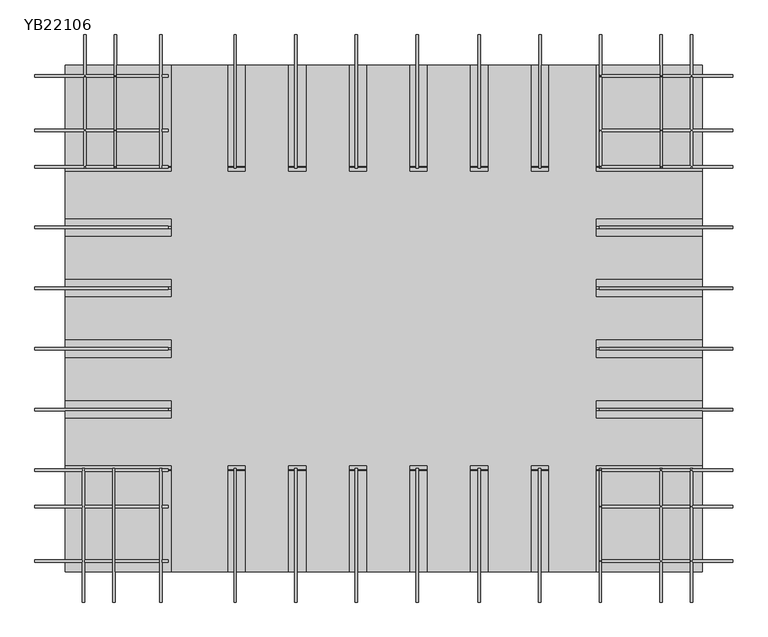
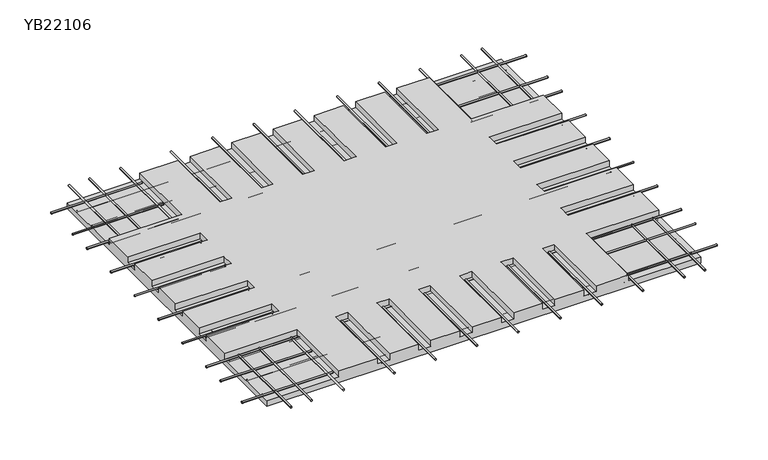
"""IFC4 building model written with IfcOpenShell, lengths in millimetres: proxy geometry, YB22106."""

import ifcopenshell
import ifcopenshell.guid

model = None  # the IFC model being written
_history = None  # IfcOwnerHistory: only IFC2X3 demands one
_inside = {}  # id of a spatial element -> (the spatial element, [elements in it])
_under = {}  # id of a project, library or spatial element -> (it, [spatial elements below it])
_declared = {}  # id of a project -> (the project, [libraries it declares])
_typed = {}  # id of a type object -> (the type object, [elements of that type])
_made_of = {}  # id of a material, layer set ... -> (it, [elements and type objects made of it])


def new_model(schema):
    """Start an empty IFC model of exactly this schema.

    Asked for "IFC4X3", IfcOpenShell would pick the latest addendum, in which some entities
    have other attributes; the version numbers below select the first issue.
    IFC2X3 requires an IfcOwnerHistory on every rooted entity: one is made here for all.
    """
    global model, _history
    if schema == "IFC4X3":
        model = ifcopenshell.file(schema_version=(4, 3, 0, 0))
    else:
        model = ifcopenshell.file(schema=schema)
    _inside.clear()
    _under.clear()
    _declared.clear()
    _typed.clear()
    _made_of.clear()
    _history = None
    if model.schema == "IFC2X3":
        org = make("IfcOrganization", Name="unknown")
        user = make(
            "IfcPersonAndOrganization",
            ThePerson=make("IfcPerson", FamilyName="unknown"),
            TheOrganization=org,
        )
        app = make(
            "IfcApplication",
            ApplicationDeveloper=org,
            Version="unknown",
            ApplicationFullName="unknown",
            ApplicationIdentifier="unknown",
        )
        _history = make(
            "IfcOwnerHistory",
            OwningUser=user,
            OwningApplication=app,
            ChangeAction="ADDED",
            CreationDate=0,
        )
    return model


def make(cls, **values):
    """One entity of the class cls with the attributes given. An attribute that is None is left unset."""
    return model.create_entity(
        cls, **{name: value for name, value in values.items() if value is not None}
    )


def rooted(cls, **values):
    """An entity with a GlobalId (a new one), such as an element, a storey or a relation."""
    return make(cls, GlobalId=ifcopenshell.guid.new(), OwnerHistory=_history, **values)


def si_unit(unit_type, name, prefix=None):
    """IfcSIUnit, for example si_unit("LENGTHUNIT", "METRE", prefix="MILLI")."""
    return make("IfcSIUnit", UnitType=unit_type, Prefix=prefix, Name=name)


def assignment(units):
    """IfcUnitAssignment: the units of a project."""
    return None if units is None else make("IfcUnitAssignment", Units=units)


def point(xyz):
    """IfcCartesianPoint."""
    return None if xyz is None else make("IfcCartesianPoint", Coordinates=xyz)


def direction(xyz):
    """IfcDirection."""
    return None if xyz is None else make("IfcDirection", DirectionRatios=xyz)


def frame(location, z_axis=None, x_axis=None):
    """IfcAxis2Placement3D, a coordinate frame: its origin and axes. An axis left out is left unset."""
    return make(
        "IfcAxis2Placement3D",
        Location=point(location),
        Axis=direction(z_axis),
        RefDirection=direction(x_axis),
    )


def frame_2d(location, x_axis=None):
    """IfcAxis2Placement2D, a coordinate frame in the plane: its origin and x axis."""
    return make(
        "IfcAxis2Placement2D", Location=point(location), RefDirection=direction(x_axis)
    )


def origin():
    """The frame at (0, 0, 0) with its axes left unset."""
    return frame((0.0, 0.0, 0.0))


def place(relative_to, where):
    """IfcLocalPlacement: puts the frame where relative to a parent placement (None: the world)."""
    return make(
        "IfcLocalPlacement", PlacementRelTo=relative_to, RelativePlacement=where
    )


def context(
    kind, dimensions, precision=None, world=None, true_north=None, identifier=None
):
    """IfcGeometricRepresentationContext, for example the 3D "Model" context."""
    return make(
        "IfcGeometricRepresentationContext",
        ContextIdentifier=identifier,
        ContextType=kind,
        CoordinateSpaceDimension=dimensions,
        Precision=precision,
        WorldCoordinateSystem=world,
        TrueNorth=true_north,
    )


def project(units=None, contexts=None):
    """IfcProject with its units and contexts."""
    return rooted(
        "IfcProject",
        Name="project",
        RepresentationContexts=contexts,
        UnitsInContext=assignment(units),
    )


def spatial(cls, under=None, at=None, **own):
    """A site, building, storey or space (cls), placed at a placement, below another one or the project."""
    s = rooted(cls, ObjectPlacement=at, **own)
    if under is not None:
        _under.setdefault(under.id(), (under, []))[1].append(s)
    return s


def circle_curve(where, radius):
    """IfcCircle in the frame where."""
    return make("IfcCircle", Position=where, Radius=radius)


def trimmed(basis, trim1, trim2, sense, master):
    """IfcTrimmedCurve: the piece of a basis curve between two trims."""
    return make(
        "IfcTrimmedCurve",
        BasisCurve=basis,
        Trim1=trim1,
        Trim2=trim2,
        SenseAgreement=sense,
        MasterRepresentation=master,
    )


def segment(curve, same_sense, transition):
    """IfcCompositeCurveSegment."""
    return make(
        "IfcCompositeCurveSegment",
        Transition=transition,
        SameSense=same_sense,
        ParentCurve=curve,
    )


def composite_curve(segments, self_intersect=None):
    """IfcCompositeCurve: segments joined end to end."""
    return make("IfcCompositeCurve", Segments=segments, SelfIntersect=self_intersect)


def outline(outer, holes=None, kind="AREA"):
    """IfcArbitraryClosedProfileDef: a profile drawn as a closed curve; with holes, ...WithVoids."""
    if holes is None:
        return make("IfcArbitraryClosedProfileDef", ProfileType=kind, OuterCurve=outer)
    return make(
        "IfcArbitraryProfileDefWithVoids",
        ProfileType=kind,
        OuterCurve=outer,
        InnerCurves=holes,
    )


def extrude(swept, where, along, depth):
    """IfcExtrudedAreaSolid: the profile swept, set in the frame where, extruded along a direction by depth."""
    return make(
        "IfcExtrudedAreaSolid",
        SweptArea=swept,
        Position=where,
        ExtrudedDirection=direction(along),
        Depth=depth,
    )


def faces_of(points, faces, orient=None, outer=None):
    """IfcFace entities. A face is a list of loops; a loop is a list of indices into points, from 0.

    orient and outer hold one flag for each loop. By default every Orientation is true, the
    first loop of a face is its IfcFaceOuterBound and the others are IfcFaceBound.
    """
    made = []
    for i, loops in enumerate(faces):
        bounds = []
        for j, loop in enumerate(loops):
            is_outer = j == 0 if outer is None else outer[i][j]
            bounds.append(
                make(
                    "IfcFaceOuterBound" if is_outer else "IfcFaceBound",
                    Bound=make("IfcPolyLoop", Polygon=[points[k] for k in loop]),
                    Orientation=True if orient is None else orient[i][j],
                )
            )
        made.append(make("IfcFace", Bounds=bounds))
    return made


def faceted_brep(points, faces, orient=None, outer=None, voids=None):
    """IfcFacetedBrep: a solid bounded by flat faces; with voids (closed shells), ...WithVoids."""
    shared = [point(p) for p in points]
    hull = make("IfcClosedShell", CfsFaces=faces_of(shared, faces, orient, outer))
    if voids is None:
        return make("IfcFacetedBrep", Outer=hull)
    return make(
        "IfcFacetedBrepWithVoids",
        Outer=hull,
        Voids=[
            make(cls, CfsFaces=faces_of(shared, fs, o, b)) for cls, fs, o, b in voids
        ],
    )


def shape(context_of_items, identifier, shape_type, items):
    """IfcShapeRepresentation: the items that make up one representation, for example the "Body"."""
    return make(
        "IfcShapeRepresentation",
        ContextOfItems=context_of_items,
        RepresentationIdentifier=identifier,
        RepresentationType=shape_type,
        Items=items,
    )


def source(mapping_origin, context_of_items, identifier, shape_type, items):
    """IfcRepresentationMap: a shape defined once, which mapped items show again and again."""
    return make(
        "IfcRepresentationMap",
        MappingOrigin=mapping_origin,
        MappedRepresentation=shape(context_of_items, identifier, shape_type, items),
    )


def transform(
    local_origin,
    x_axis=None,
    y_axis=None,
    z_axis=None,
    scale=None,
    scale2=None,
    scale3=None,
    uniform=True,
):
    """IfcCartesianTransformationOperator3D, or its non-uniform kind. x_axis, y_axis, z_axis: its Axis1, 2, 3."""
    if uniform:
        return make(
            "IfcCartesianTransformationOperator3D",
            Axis1=direction(x_axis),
            Axis2=direction(y_axis),
            LocalOrigin=point(local_origin),
            Scale=scale,
            Axis3=direction(z_axis),
        )
    return make(
        "IfcCartesianTransformationOperator3DnonUniform",
        Axis1=direction(x_axis),
        Axis2=direction(y_axis),
        LocalOrigin=point(local_origin),
        Scale=scale,
        Axis3=direction(z_axis),
        Scale2=scale2,
        Scale3=scale3,
    )


def mapped(mapping_source, mapping_target):
    """IfcMappedItem: shows the shape of a source again, moved by a transform."""
    return make(
        "IfcMappedItem", MappingSource=mapping_source, MappingTarget=mapping_target
    )


def made_of(thing, what):
    """Note that an element or type object is made of a material, layer set ...; save() writes the relation."""
    if what is not None:
        _made_of.setdefault(what.id(), (what, []))[1].append(thing)
    return thing


def element(
    cls,
    number,
    at=None,
    inside=None,
    cuts=None,
    type_object=None,
    material=None,
    context=None,
    identifier="Body",
    shape_type=None,
    held_by="IfcProductDefinitionShape",
    body=None,
    shapes=None,
    **own,
):
    """One element of the class cls, such as IfcWall. Its Tag is "e" and its number.

    at: its placement. inside: the storey or other place that contains it. cuts: it is an
    opening in that element (IfcRelVoidsElement). A single representation is given by context,
    identifier, shape_type and body (its items); several are given by shapes. held_by: the class
    of the entity that holds the representations. save() writes the other relations.
    """
    e = rooted(cls, Tag="e%d" % number, ObjectPlacement=at, **own)
    if body is not None:
        shapes = [shape(context, identifier, shape_type, body)]
    if shapes is not None:
        e.Representation = make(held_by, Representations=shapes)
    if inside is not None:
        _inside.setdefault(inside.id(), (inside, []))[1].append(e)
    if cuts is not None:
        rooted(
            "IfcRelVoidsElement", RelatingBuildingElement=cuts, RelatedOpeningElement=e
        )
    if type_object is not None:
        _typed.setdefault(type_object.id(), (type_object, []))[1].append(e)
    return made_of(e, material)


def aggregate(whole, parts):
    """IfcRelAggregates: a whole, such as a stair, and the parts it consists of."""
    return rooted("IfcRelAggregates", RelatingObject=whole, RelatedObjects=parts)


def save(model, path):
    """Write the relations noted so far, then the file.

    IfcRelAggregates (storeys below a building ...), IfcRelContainedInSpatialStructure (elements
    in a storey), IfcRelDefinesByType, IfcRelAssociatesMaterial and IfcRelDeclares: one each for
    every whole, place, type object, material and project.
    """
    for whole, parts in _under.values():
        aggregate(whole, parts)
    for where, things in _inside.values():
        rooted(
            "IfcRelContainedInSpatialStructure",
            RelatedElements=things,
            RelatingStructure=where,
        )
    for kind, things in _typed.values():
        rooted("IfcRelDefinesByType", RelatedObjects=things, RelatingType=kind)
    for what, things in _made_of.values():
        rooted("IfcRelAssociatesMaterial", RelatedObjects=things, RelatingMaterial=what)
    for by, libraries in _declared.values():
        rooted("IfcRelDeclares", RelatingContext=by, RelatedDefinitions=libraries)
    model.write(path)


def yb22106_598489d8(model_context):
    return source(origin(), model_context, "Body", "SolidModel", [
        extrude(outline(composite_curve([segment(trimmed(circle_curve(frame_2d((35.5586114, 1079.8610498)), 4.0), [point((35.5586114, 1075.8610498))], [point((35.5586114, 1083.8610498))], False, "CARTESIAN"), True, "CONTINUOUS"), segment(trimmed(circle_curve(frame_2d((35.5586114, 1079.8610498)), 4.0), [point((35.5586114, 1083.8610498))], [point((35.5586114, 1075.8610498))], False, "CARTESIAN"), True, "CONTINUOUS")], self_intersect=False)), frame((0.0, 375.0, 0.0), z_axis=(0.0, 1.0, 0.0), x_axis=(0.0, 0.0, 1.0)), (0.0, 0.0, 1.0), 440.0),
        extrude(outline(composite_curve([segment(trimmed(circle_curve(frame_2d((35.5586114, 1179.8610498)), 4.0), [point((35.5586114, 1175.8610498))], [point((35.5586114, 1183.8610498))], False, "CARTESIAN"), True, "CONTINUOUS"), segment(trimmed(circle_curve(frame_2d((35.5586114, 1179.8610498)), 4.0), [point((35.5586114, 1183.8610498))], [point((35.5586114, 1175.8610498))], False, "CARTESIAN"), True, "CONTINUOUS")], self_intersect=False)), frame((0.0, 375.0, 0.0), z_axis=(0.0, 1.0, 0.0), x_axis=(0.0, 0.0, 1.0)), (0.0, 0.0, 1.0), 440.0),
        extrude(outline(composite_curve([segment(trimmed(circle_curve(frame_2d((35.5586114, 2179.8610498)), 4.0), [point((35.5586114, 2175.8610498))], [point((35.5586114, 2183.8610498))], False, "CARTESIAN"), True, "CONTINUOUS"), segment(trimmed(circle_curve(frame_2d((35.5586114, 2179.8610498)), 4.0), [point((35.5586114, 2183.8610498))], [point((35.5586114, 2175.8610498))], False, "CARTESIAN"), True, "CONTINUOUS")], self_intersect=False)), frame((0.0, 375.0, 0.0), z_axis=(0.0, 1.0, 0.0), x_axis=(0.0, 0.0, 1.0)), (0.0, 0.0, 1.0), 440.0),
        extrude(outline(composite_curve([segment(trimmed(circle_curve(frame_2d((35.5586114, 1979.8610498)), 4.0), [point((35.5586114, 1975.8610498))], [point((35.5586114, 1983.8610498))], False, "CARTESIAN"), True, "CONTINUOUS"), segment(trimmed(circle_curve(frame_2d((35.5586114, 1979.8610498)), 4.0), [point((35.5586114, 1983.8610498))], [point((35.5586114, 1975.8610498))], False, "CARTESIAN"), True, "CONTINUOUS")], self_intersect=False)), frame((0.0, 375.0, 0.0), z_axis=(0.0, 1.0, 0.0), x_axis=(0.0, 0.0, 1.0)), (0.0, 0.0, 1.0), 440.0),
        extrude(outline(composite_curve([segment(trimmed(circle_curve(frame_2d((35.5586114, 2179.8610498)), 4.0), [point((35.5586114, 2175.8610498))], [point((35.5586114, 2183.8610498))], False, "CARTESIAN"), True, "CONTINUOUS"), segment(trimmed(circle_curve(frame_2d((35.5586114, 2179.8610498)), 4.0), [point((35.5586114, 2183.8610498))], [point((35.5586114, 2175.8610498))], False, "CARTESIAN"), True, "CONTINUOUS")], self_intersect=False)), frame((0.0, 1805.0, 0.0), z_axis=(0.0, 1.0, 0.0), x_axis=(0.0, 0.0, 1.0)), (0.0, 0.0, 1.0), 440.0),
        extrude(outline(composite_curve([segment(trimmed(circle_curve(frame_2d((35.5586114, 1979.8610498)), 4.0), [point((35.5586114, 1975.8610498))], [point((35.5586114, 1983.8610498))], False, "CARTESIAN"), True, "CONTINUOUS"), segment(trimmed(circle_curve(frame_2d((35.5586114, 1979.8610498)), 4.0), [point((35.5586114, 1983.8610498))], [point((35.5586114, 1975.8610498))], False, "CARTESIAN"), True, "CONTINUOUS")], self_intersect=False)), frame((0.0, 1805.0, 0.0), z_axis=(0.0, 1.0, 0.0), x_axis=(0.0, 0.0, 1.0)), (0.0, 0.0, 1.0), 440.0),
        extrude(outline(composite_curve([segment(trimmed(circle_curve(frame_2d((35.5586114, 1779.8610498)), 4.0), [point((35.5586114, 1775.8610498))], [point((35.5586114, 1783.8610498))], False, "CARTESIAN"), True, "CONTINUOUS"), segment(trimmed(circle_curve(frame_2d((35.5586114, 1779.8610498)), 4.0), [point((35.5586114, 1783.8610498))], [point((35.5586114, 1775.8610498))], False, "CARTESIAN"), True, "CONTINUOUS")], self_intersect=False)), frame((0.0, 375.0, 0.0), z_axis=(0.0, 1.0, 0.0), x_axis=(0.0, 0.0, 1.0)), (0.0, 0.0, 1.0), 440.0),
        extrude(outline(composite_curve([segment(trimmed(circle_curve(frame_2d((35.5586114, 1579.8610498)), 4.0), [point((35.5586114, 1575.8610498))], [point((35.5586114, 1583.8610498))], False, "CARTESIAN"), True, "CONTINUOUS"), segment(trimmed(circle_curve(frame_2d((35.5586114, 1579.8610498)), 4.0), [point((35.5586114, 1583.8610498))], [point((35.5586114, 1575.8610498))], False, "CARTESIAN"), True, "CONTINUOUS")], self_intersect=False)), frame((0.0, 375.0, 0.0), z_axis=(0.0, 1.0, 0.0), x_axis=(0.0, 0.0, 1.0)), (0.0, 0.0, 1.0), 440.0),
        extrude(outline(composite_curve([segment(trimmed(circle_curve(frame_2d((35.5586114, 1779.8610498)), 4.0), [point((35.5586114, 1775.8610498))], [point((35.5586114, 1783.8610498))], False, "CARTESIAN"), True, "CONTINUOUS"), segment(trimmed(circle_curve(frame_2d((35.5586114, 1779.8610498)), 4.0), [point((35.5586114, 1783.8610498))], [point((35.5586114, 1775.8610498))], False, "CARTESIAN"), True, "CONTINUOUS")], self_intersect=False)), frame((0.0, 1805.0, 0.0), z_axis=(0.0, 1.0, 0.0), x_axis=(0.0, 0.0, 1.0)), (0.0, 0.0, 1.0), 440.0),
        extrude(outline(composite_curve([segment(trimmed(circle_curve(frame_2d((35.5586114, 1579.8610498)), 4.0), [point((35.5586114, 1575.8610498))], [point((35.5586114, 1583.8610498))], False, "CARTESIAN"), True, "CONTINUOUS"), segment(trimmed(circle_curve(frame_2d((35.5586114, 1579.8610498)), 4.0), [point((35.5586114, 1583.8610498))], [point((35.5586114, 1575.8610498))], False, "CARTESIAN"), True, "CONTINUOUS")], self_intersect=False)), frame((0.0, 1805.0, 0.0), z_axis=(0.0, 1.0, 0.0), x_axis=(0.0, 0.0, 1.0)), (0.0, 0.0, 1.0), 440.0),
        extrude(outline(composite_curve([segment(trimmed(circle_curve(frame_2d((35.5586114, 2584.8610498)), 4.0), [point((35.5586114, 2580.8610498))], [point((35.5586114, 2588.8610498))], False, "CARTESIAN"), True, "CONTINUOUS"), segment(trimmed(circle_curve(frame_2d((35.5586114, 2584.8610498)), 4.0), [point((35.5586114, 2588.8610498))], [point((35.5586114, 2580.8610498))], False, "CARTESIAN"), True, "CONTINUOUS")], self_intersect=False)), frame((0.0, 1805.0, 0.0), z_axis=(0.0, 1.0, 0.0), x_axis=(0.0, 0.0, 1.0)), (0.0, 0.0, 1.0), 440.0),
        extrude(outline(composite_curve([segment(trimmed(circle_curve(frame_2d((35.5586114, 2384.8610498)), 4.0), [point((35.5586114, 2380.8610498))], [point((35.5586114, 2388.8610498))], False, "CARTESIAN"), True, "CONTINUOUS"), segment(trimmed(circle_curve(frame_2d((35.5586114, 2384.8610498)), 4.0), [point((35.5586114, 2388.8610498))], [point((35.5586114, 2380.8610498))], False, "CARTESIAN"), True, "CONTINUOUS")], self_intersect=False)), frame((0.0, 1805.0, 0.0), z_axis=(0.0, 1.0, 0.0), x_axis=(0.0, 0.0, 1.0)), (0.0, 0.0, 1.0), 440.0),
        extrude(outline(composite_curve([segment(trimmed(circle_curve(frame_2d((35.5586114, 2584.0999894)), 4.0), [point((35.5586114, 2580.0999894))], [point((35.5586114, 2588.0999894))], False, "CARTESIAN"), True, "CONTINUOUS"), segment(trimmed(circle_curve(frame_2d((35.5586114, 2584.0999894)), 4.0), [point((35.5586114, 2588.0999894))], [point((35.5586114, 2580.0999894))], False, "CARTESIAN"), True, "CONTINUOUS")], self_intersect=False)), frame((0.0, 375.0, 0.0), z_axis=(0.0, 1.0, 0.0), x_axis=(0.0, 0.0, 1.0)), (0.0, 0.0, 1.0), 440.0),
        extrude(outline(composite_curve([segment(trimmed(circle_curve(frame_2d((35.5586114, 2384.0999894)), 4.0), [point((35.5586114, 2380.0999894))], [point((35.5586114, 2388.0999894))], False, "CARTESIAN"), True, "CONTINUOUS"), segment(trimmed(circle_curve(frame_2d((35.5586114, 2384.0999894)), 4.0), [point((35.5586114, 2388.0999894))], [point((35.5586114, 2380.0999894))], False, "CARTESIAN"), True, "CONTINUOUS")], self_intersect=False)), frame((0.0, 375.0, 0.0), z_axis=(0.0, 1.0, 0.0), x_axis=(0.0, 0.0, 1.0)), (0.0, 0.0, 1.0), 440.0),
        extrude(outline(composite_curve([segment(trimmed(circle_curve(frame_2d((35.5586114, 1334.8610498)), 4.0), [point((35.5586114, 1330.8610498))], [point((35.5586114, 1338.8610498))], False, "CARTESIAN"), True, "CONTINUOUS"), segment(trimmed(circle_curve(frame_2d((35.5586114, 1334.8610498)), 4.0), [point((35.5586114, 1338.8610498))], [point((35.5586114, 1330.8610498))], False, "CARTESIAN"), True, "CONTINUOUS")], self_intersect=False)), frame((0.0, 375.0, 0.0), z_axis=(0.0, 1.0, 0.0), x_axis=(0.0, 0.0, 1.0)), (0.0, 0.0, 1.0), 440.0),
        extrude(outline(composite_curve([segment(trimmed(circle_curve(frame_2d((35.5586114, 1334.8610498)), 4.0), [point((35.5586114, 1330.8610498))], [point((35.5586114, 1338.8610498))], False, "CARTESIAN"), True, "CONTINUOUS"), segment(trimmed(circle_curve(frame_2d((35.5586114, 1334.8610498)), 4.0), [point((35.5586114, 1338.8610498))], [point((35.5586114, 1330.8610498))], False, "CARTESIAN"), True, "CONTINUOUS")], self_intersect=False)), frame((0.0, 1805.0, 0.0), z_axis=(0.0, 1.0, 0.0), x_axis=(0.0, 0.0, 1.0)), (0.0, 0.0, 1.0), 440.0),
        extrude(outline(composite_curve([segment(trimmed(circle_curve(frame_2d((690.0, 35.0)), 4.0), [point((694.0, 35.0))], [point((686.0, 35.0))], False, "CARTESIAN"), True, "CONTINUOUS"), segment(trimmed(circle_curve(frame_2d((690.0, 35.0)), 4.0), [point((686.0, 35.0))], [point((694.0, 35.0))], False, "CARTESIAN"), True, "CONTINUOUS")], self_intersect=False)), frame((2780.0, 0.0, 0.0), z_axis=(1.0, 0.0, 0.0), x_axis=(0.0, 1.0, 0.0)), (0.0, 0.0, 1.0), 440.0),
        extrude(outline(composite_curve([segment(trimmed(circle_curve(frame_2d((690.0, 35.0)), 4.0), [point((694.0, 35.0))], [point((686.0, 35.0))], False, "CARTESIAN"), True, "CONTINUOUS"), segment(trimmed(circle_curve(frame_2d((690.0, 35.0)), 4.0), [point((686.0, 35.0))], [point((694.0, 35.0))], False, "CARTESIAN"), True, "CONTINUOUS")], self_intersect=False)), frame((920.0, 0.0, 0.0), z_axis=(1.0, 0.0, 0.0), x_axis=(0.0, 1.0, 0.0)), (0.0, 0.0, 1.0), 440.0),
        extrude(outline(composite_curve([segment(trimmed(circle_curve(frame_2d((1930.0, 35.0)), 4.0), [point((1926.0, 35.0))], [point((1934.0, 35.0))], False, "CARTESIAN"), True, "CONTINUOUS"), segment(trimmed(circle_curve(frame_2d((1930.0, 35.0)), 4.0), [point((1934.0, 35.0))], [point((1926.0, 35.0))], False, "CARTESIAN"), True, "CONTINUOUS")], self_intersect=False)), frame((2780.0, 0.0, 0.0), z_axis=(1.0, 0.0, 0.0), x_axis=(0.0, 1.0, 0.0)), (0.0, 0.0, 1.0), 440.0),
        extrude(outline(composite_curve([segment(trimmed(circle_curve(frame_2d((1930.0, 35.0)), 4.0), [point((1926.0, 35.0))], [point((1934.0, 35.0))], False, "CARTESIAN"), True, "CONTINUOUS"), segment(trimmed(circle_curve(frame_2d((1930.0, 35.0)), 4.0), [point((1934.0, 35.0))], [point((1926.0, 35.0))], False, "CARTESIAN"), True, "CONTINUOUS")], self_intersect=False)), frame((920.0, 0.0, 0.0), z_axis=(1.0, 0.0, 0.0), x_axis=(0.0, 1.0, 0.0)), (0.0, 0.0, 1.0), 440.0),
        extrude(outline(composite_curve([segment(trimmed(circle_curve(frame_2d((510.0, 35.0)), 4.0), [point((514.0, 35.0))], [point((506.0, 35.0))], False, "CARTESIAN"), True, "CONTINUOUS"), segment(trimmed(circle_curve(frame_2d((510.0, 35.0)), 4.0), [point((506.0, 35.0))], [point((514.0, 35.0))], False, "CARTESIAN"), True, "CONTINUOUS")], self_intersect=False)), frame((2780.0, 0.0, 0.0), z_axis=(1.0, 0.0, 0.0), x_axis=(0.0, 1.0, 0.0)), (0.0, 0.0, 1.0), 440.0),
        extrude(outline(composite_curve([segment(trimmed(circle_curve(frame_2d((810.0, 35.0)), 4.0), [point((814.0, 35.0))], [point((806.0, 35.0))], False, "CARTESIAN"), True, "CONTINUOUS"), segment(trimmed(circle_curve(frame_2d((810.0, 35.0)), 4.0), [point((806.0, 35.0))], [point((814.0, 35.0))], False, "CARTESIAN"), True, "CONTINUOUS")], self_intersect=False)), frame((2780.0, 0.0, 0.0), z_axis=(1.0, 0.0, 0.0), x_axis=(0.0, 1.0, 0.0)), (0.0, 0.0, 1.0), 440.0),
        extrude(outline(composite_curve([segment(trimmed(circle_curve(frame_2d((510.0, 35.0)), 4.0), [point((514.0, 35.0))], [point((506.0, 35.0))], False, "CARTESIAN"), True, "CONTINUOUS"), segment(trimmed(circle_curve(frame_2d((510.0, 35.0)), 4.0), [point((506.0, 35.0))], [point((514.0, 35.0))], False, "CARTESIAN"), True, "CONTINUOUS")], self_intersect=False)), frame((920.0, 0.0, 0.0), z_axis=(1.0, 0.0, 0.0), x_axis=(0.0, 1.0, 0.0)), (0.0, 0.0, 1.0), 440.0),
        extrude(outline(composite_curve([segment(trimmed(circle_curve(frame_2d((810.0, 35.0)), 4.0), [point((814.0, 35.0))], [point((806.0, 35.0))], False, "CARTESIAN"), True, "CONTINUOUS"), segment(trimmed(circle_curve(frame_2d((810.0, 35.0)), 4.0), [point((806.0, 35.0))], [point((814.0, 35.0))], False, "CARTESIAN"), True, "CONTINUOUS")], self_intersect=False)), frame((920.0, 0.0, 0.0), z_axis=(1.0, 0.0, 0.0), x_axis=(0.0, 1.0, 0.0)), (0.0, 0.0, 1.0), 440.0),
        extrude(outline(composite_curve([segment(trimmed(circle_curve(frame_2d((2110.0, 35.0)), 4.0), [point((2106.0, 35.0))], [point((2114.0, 35.0))], False, "CARTESIAN"), True, "CONTINUOUS"), segment(trimmed(circle_curve(frame_2d((2110.0, 35.0)), 4.0), [point((2114.0, 35.0))], [point((2106.0, 35.0))], False, "CARTESIAN"), True, "CONTINUOUS")], self_intersect=False)), frame((2780.0, 0.0, 0.0), z_axis=(1.0, 0.0, 0.0), x_axis=(0.0, 1.0, 0.0)), (0.0, 0.0, 1.0), 440.0),
        extrude(outline(composite_curve([segment(trimmed(circle_curve(frame_2d((1810.0, 35.0)), 4.0), [point((1806.0, 35.0))], [point((1814.0, 35.0))], False, "CARTESIAN"), True, "CONTINUOUS"), segment(trimmed(circle_curve(frame_2d((1810.0, 35.0)), 4.0), [point((1814.0, 35.0))], [point((1806.0, 35.0))], False, "CARTESIAN"), True, "CONTINUOUS")], self_intersect=False)), frame((2780.0, 0.0, 0.0), z_axis=(1.0, 0.0, 0.0), x_axis=(0.0, 1.0, 0.0)), (0.0, 0.0, 1.0), 440.0),
        extrude(outline(composite_curve([segment(trimmed(circle_curve(frame_2d((2110.0, 35.0)), 4.0), [point((2106.0, 35.0))], [point((2114.0, 35.0))], False, "CARTESIAN"), True, "CONTINUOUS"), segment(trimmed(circle_curve(frame_2d((2110.0, 35.0)), 4.0), [point((2114.0, 35.0))], [point((2106.0, 35.0))], False, "CARTESIAN"), True, "CONTINUOUS")], self_intersect=False)), frame((920.0, 0.0, 0.0), z_axis=(1.0, 0.0, 0.0), x_axis=(0.0, 1.0, 0.0)), (0.0, 0.0, 1.0), 440.0),
        extrude(outline(composite_curve([segment(trimmed(circle_curve(frame_2d((1810.0, 35.0)), 4.0), [point((1806.0, 35.0))], [point((1814.0, 35.0))], False, "CARTESIAN"), True, "CONTINUOUS"), segment(trimmed(circle_curve(frame_2d((1810.0, 35.0)), 4.0), [point((1814.0, 35.0))], [point((1806.0, 35.0))], False, "CARTESIAN"), True, "CONTINUOUS")], self_intersect=False)), frame((920.0, 0.0, 0.0), z_axis=(1.0, 0.0, 0.0), x_axis=(0.0, 1.0, 0.0)), (0.0, 0.0, 1.0), 440.0),
        extrude(outline(composite_curve([segment(trimmed(circle_curve(frame_2d((35.5586114, 3084.8610498)), 4.0), [point((35.5586114, 3080.8610498))], [point((35.5586114, 3088.8610498))], False, "CARTESIAN"), True, "CONTINUOUS"), segment(trimmed(circle_curve(frame_2d((35.5586114, 3084.8610498)), 4.0), [point((35.5586114, 3088.8610498))], [point((35.5586114, 3080.8610498))], False, "CARTESIAN"), True, "CONTINUOUS")], self_intersect=False)), frame((0.0, 1805.0, 0.0), z_axis=(0.0, 1.0, 0.0), x_axis=(0.0, 0.0, 1.0)), (0.0, 0.0, 1.0), 440.0),
        extrude(outline(composite_curve([segment(trimmed(circle_curve(frame_2d((35.5586114, 3084.0999894)), 4.0), [point((35.5586114, 3080.0999894))], [point((35.5586114, 3088.0999894))], False, "CARTESIAN"), True, "CONTINUOUS"), segment(trimmed(circle_curve(frame_2d((35.5586114, 3084.0999894)), 4.0), [point((35.5586114, 3088.0999894))], [point((35.5586114, 3080.0999894))], False, "CARTESIAN"), True, "CONTINUOUS")], self_intersect=False)), frame((0.0, 375.0, 0.0), z_axis=(0.0, 1.0, 0.0), x_axis=(0.0, 0.0, 1.0)), (0.0, 0.0, 1.0), 440.0),
        extrude(outline(composite_curve([segment(trimmed(circle_curve(frame_2d((35.5586114, 2984.8610498)), 4.0), [point((35.5586114, 2980.8610498))], [point((35.5586114, 2988.8610498))], False, "CARTESIAN"), True, "CONTINUOUS"), segment(trimmed(circle_curve(frame_2d((35.5586114, 2984.8610498)), 4.0), [point((35.5586114, 2988.8610498))], [point((35.5586114, 2980.8610498))], False, "CARTESIAN"), True, "CONTINUOUS")], self_intersect=False)), frame((0.0, 1805.0, 0.0), z_axis=(0.0, 1.0, 0.0), x_axis=(0.0, 0.0, 1.0)), (0.0, 0.0, 1.0), 440.0),
        extrude(outline(composite_curve([segment(trimmed(circle_curve(frame_2d((35.5586114, 2984.0999894)), 4.0), [point((35.5586114, 2980.0999894))], [point((35.5586114, 2988.0999894))], False, "CARTESIAN"), True, "CONTINUOUS"), segment(trimmed(circle_curve(frame_2d((35.5586114, 2984.0999894)), 4.0), [point((35.5586114, 2988.0999894))], [point((35.5586114, 2980.0999894))], False, "CARTESIAN"), True, "CONTINUOUS")], self_intersect=False)), frame((0.0, 375.0, 0.0), z_axis=(0.0, 1.0, 0.0), x_axis=(0.0, 0.0, 1.0)), (0.0, 0.0, 1.0), 440.0),
        extrude(outline(composite_curve([segment(trimmed(circle_curve(frame_2d((35.5586114, 2784.8610498)), 4.0), [point((35.5586114, 2780.8610498))], [point((35.5586114, 2788.8610498))], False, "CARTESIAN"), True, "CONTINUOUS"), segment(trimmed(circle_curve(frame_2d((35.5586114, 2784.8610498)), 4.0), [point((35.5586114, 2788.8610498))], [point((35.5586114, 2780.8610498))], False, "CARTESIAN"), True, "CONTINUOUS")], self_intersect=False)), frame((0.0, 1805.0, 0.0), z_axis=(0.0, 1.0, 0.0), x_axis=(0.0, 0.0, 1.0)), (0.0, 0.0, 1.0), 440.0),
        extrude(outline(composite_curve([segment(trimmed(circle_curve(frame_2d((35.5586114, 2784.0999894)), 4.0), [point((35.5586114, 2780.0999894))], [point((35.5586114, 2788.0999894))], False, "CARTESIAN"), True, "CONTINUOUS"), segment(trimmed(circle_curve(frame_2d((35.5586114, 2784.0999894)), 4.0), [point((35.5586114, 2788.0999894))], [point((35.5586114, 2780.0999894))], False, "CARTESIAN"), True, "CONTINUOUS")], self_intersect=False)), frame((0.0, 375.0, 0.0), z_axis=(0.0, 1.0, 0.0), x_axis=(0.0, 0.0, 1.0)), (0.0, 0.0, 1.0), 440.0),
        extrude(outline(composite_curve([segment(trimmed(circle_curve(frame_2d((35.5586114, 1084.8610498)), 4.0), [point((35.5586114, 1080.8610498))], [point((35.5586114, 1088.8610498))], False, "CARTESIAN"), True, "CONTINUOUS"), segment(trimmed(circle_curve(frame_2d((35.5586114, 1084.8610498)), 4.0), [point((35.5586114, 1088.8610498))], [point((35.5586114, 1080.8610498))], False, "CARTESIAN"), True, "CONTINUOUS")], self_intersect=False)), frame((0.0, 1805.0, 0.0), z_axis=(0.0, 1.0, 0.0), x_axis=(0.0, 0.0, 1.0)), (0.0, 0.0, 1.0), 440.0),
        extrude(outline(composite_curve([segment(trimmed(circle_curve(frame_2d((35.5586114, 1184.8610498)), 4.0), [point((35.5586114, 1180.8610498))], [point((35.5586114, 1188.8610498))], False, "CARTESIAN"), True, "CONTINUOUS"), segment(trimmed(circle_curve(frame_2d((35.5586114, 1184.8610498)), 4.0), [point((35.5586114, 1188.8610498))], [point((35.5586114, 1180.8610498))], False, "CARTESIAN"), True, "CONTINUOUS")], self_intersect=False)), frame((0.0, 1805.0, 0.0), z_axis=(0.0, 1.0, 0.0), x_axis=(0.0, 0.0, 1.0)), (0.0, 0.0, 1.0), 440.0),
        extrude(outline(composite_curve([segment(trimmed(circle_curve(frame_2d((1010.0, 35.0)), 4.0), [point((1006.0, 35.0))], [point((1014.0, 35.0))], False, "CARTESIAN"), True, "CONTINUOUS"), segment(trimmed(circle_curve(frame_2d((1010.0, 35.0)), 4.0), [point((1014.0, 35.0))], [point((1006.0, 35.0))], False, "CARTESIAN"), True, "CONTINUOUS")], self_intersect=False)), frame((2780.0, 0.0, 0.0), z_axis=(1.0, 0.0, 0.0), x_axis=(0.0, 1.0, 0.0)), (0.0, 0.0, 1.0), 440.0),
        extrude(outline(composite_curve([segment(trimmed(circle_curve(frame_2d((1210.0, 35.0)), 4.0), [point((1206.0, 35.0))], [point((1214.0, 35.0))], False, "CARTESIAN"), True, "CONTINUOUS"), segment(trimmed(circle_curve(frame_2d((1210.0, 35.0)), 4.0), [point((1214.0, 35.0))], [point((1206.0, 35.0))], False, "CARTESIAN"), True, "CONTINUOUS")], self_intersect=False)), frame((2780.0, 0.0, 0.0), z_axis=(1.0, 0.0, 0.0), x_axis=(0.0, 1.0, 0.0)), (0.0, 0.0, 1.0), 440.0),
        extrude(outline(composite_curve([segment(trimmed(circle_curve(frame_2d((1410.0, 35.0)), 4.0), [point((1406.0, 35.0))], [point((1414.0, 35.0))], False, "CARTESIAN"), True, "CONTINUOUS"), segment(trimmed(circle_curve(frame_2d((1410.0, 35.0)), 4.0), [point((1414.0, 35.0))], [point((1406.0, 35.0))], False, "CARTESIAN"), True, "CONTINUOUS")], self_intersect=False)), frame((2780.0, 0.0, 0.0), z_axis=(1.0, 0.0, 0.0), x_axis=(0.0, 1.0, 0.0)), (0.0, 0.0, 1.0), 440.0),
        extrude(outline(composite_curve([segment(trimmed(circle_curve(frame_2d((1610.0, 35.0)), 4.0), [point((1606.0, 35.0))], [point((1614.0, 35.0))], False, "CARTESIAN"), True, "CONTINUOUS"), segment(trimmed(circle_curve(frame_2d((1610.0, 35.0)), 4.0), [point((1614.0, 35.0))], [point((1606.0, 35.0))], False, "CARTESIAN"), True, "CONTINUOUS")], self_intersect=False)), frame((2780.0, 0.0, 0.0), z_axis=(1.0, 0.0, 0.0), x_axis=(0.0, 1.0, 0.0)), (0.0, 0.0, 1.0), 440.0),
        extrude(outline(composite_curve([segment(trimmed(circle_curve(frame_2d((1010.0, 35.0)), 4.0), [point((1006.0, 35.0))], [point((1014.0, 35.0))], False, "CARTESIAN"), True, "CONTINUOUS"), segment(trimmed(circle_curve(frame_2d((1010.0, 35.0)), 4.0), [point((1014.0, 35.0))], [point((1006.0, 35.0))], False, "CARTESIAN"), True, "CONTINUOUS")], self_intersect=False)), frame((920.0, 0.0, 0.0), z_axis=(1.0, 0.0, 0.0), x_axis=(0.0, 1.0, 0.0)), (0.0, 0.0, 1.0), 440.0),
        extrude(outline(composite_curve([segment(trimmed(circle_curve(frame_2d((1210.0, 35.0)), 4.0), [point((1206.0, 35.0))], [point((1214.0, 35.0))], False, "CARTESIAN"), True, "CONTINUOUS"), segment(trimmed(circle_curve(frame_2d((1210.0, 35.0)), 4.0), [point((1214.0, 35.0))], [point((1206.0, 35.0))], False, "CARTESIAN"), True, "CONTINUOUS")], self_intersect=False)), frame((920.0, 0.0, 0.0), z_axis=(1.0, 0.0, 0.0), x_axis=(0.0, 1.0, 0.0)), (0.0, 0.0, 1.0), 440.0),
        extrude(outline(composite_curve([segment(trimmed(circle_curve(frame_2d((1410.0, 35.0)), 4.0), [point((1406.0, 35.0))], [point((1414.0, 35.0))], False, "CARTESIAN"), True, "CONTINUOUS"), segment(trimmed(circle_curve(frame_2d((1410.0, 35.0)), 4.0), [point((1414.0, 35.0))], [point((1406.0, 35.0))], False, "CARTESIAN"), True, "CONTINUOUS")], self_intersect=False)), frame((920.0, 0.0, 0.0), z_axis=(1.0, 0.0, 0.0), x_axis=(0.0, 1.0, 0.0)), (0.0, 0.0, 1.0), 440.0),
        extrude(outline(composite_curve([segment(trimmed(circle_curve(frame_2d((1610.0, 35.0)), 4.0), [point((1606.0, 35.0))], [point((1614.0, 35.0))], False, "CARTESIAN"), True, "CONTINUOUS"), segment(trimmed(circle_curve(frame_2d((1610.0, 35.0)), 4.0), [point((1614.0, 35.0))], [point((1606.0, 35.0))], False, "CARTESIAN"), True, "CONTINUOUS")], self_intersect=False)), frame((920.0, 0.0, 0.0), z_axis=(1.0, 0.0, 0.0), x_axis=(0.0, 1.0, 0.0)), (0.0, 0.0, 1.0), 440.0),
        extrude(outline(composite_curve([segment(trimmed(circle_curve(frame_2d((19.0, 3060.0)), 4.0), [point((19.0, 3064.0))], [point((19.0, 3056.0))], False, "CARTESIAN"), True, "CONTINUOUS"), segment(trimmed(circle_curve(frame_2d((19.0, 3060.0)), 4.0), [point((19.0, 3056.0))], [point((19.0, 3064.0))], False, "CARTESIAN"), True, "CONTINUOUS")], self_intersect=False)), frame((0.0, 485.0, 0.0), z_axis=(0.0, 1.0, 0.0), x_axis=(0.0, 0.0, 1.0)), (0.0, 0.0, 1.0), 1650.0),
        extrude(outline(composite_curve([segment(trimmed(circle_curve(frame_2d((19.0, 2910.0)), 4.0), [point((19.0, 2914.0))], [point((19.0, 2906.0))], False, "CARTESIAN"), True, "CONTINUOUS"), segment(trimmed(circle_curve(frame_2d((19.0, 2910.0)), 4.0), [point((19.0, 2906.0))], [point((19.0, 2914.0))], False, "CARTESIAN"), True, "CONTINUOUS")], self_intersect=False)), frame((0.0, 485.0, 0.0), z_axis=(0.0, 1.0, 0.0), x_axis=(0.0, 0.0, 1.0)), (0.0, 0.0, 1.0), 1650.0),
        extrude(outline(composite_curve([segment(trimmed(circle_curve(frame_2d((19.0, 2755.0)), 4.0), [point((19.0, 2759.0))], [point((19.0, 2751.0))], False, "CARTESIAN"), True, "CONTINUOUS"), segment(trimmed(circle_curve(frame_2d((19.0, 2755.0)), 4.0), [point((19.0, 2751.0))], [point((19.0, 2759.0))], False, "CARTESIAN"), True, "CONTINUOUS")], self_intersect=False)), frame((0.0, 485.0, 0.0), z_axis=(0.0, 1.0, 0.0), x_axis=(0.0, 0.0, 1.0)), (0.0, 0.0, 1.0), 1650.0),
        extrude(outline(composite_curve([segment(trimmed(circle_curve(frame_2d((19.0, 2585.0)), 4.0), [point((19.0, 2589.0))], [point((19.0, 2581.0))], False, "CARTESIAN"), True, "CONTINUOUS"), segment(trimmed(circle_curve(frame_2d((19.0, 2585.0)), 4.0), [point((19.0, 2581.0))], [point((19.0, 2589.0))], False, "CARTESIAN"), True, "CONTINUOUS")], self_intersect=False)), frame((0.0, 485.0, 0.0), z_axis=(0.0, 1.0, 0.0), x_axis=(0.0, 0.0, 1.0)), (0.0, 0.0, 1.0), 1650.0),
        extrude(outline(composite_curve([segment(trimmed(circle_curve(frame_2d((19.0, 2385.0)), 4.0), [point((19.0, 2389.0))], [point((19.0, 2381.0))], False, "CARTESIAN"), True, "CONTINUOUS"), segment(trimmed(circle_curve(frame_2d((19.0, 2385.0)), 4.0), [point((19.0, 2381.0))], [point((19.0, 2389.0))], False, "CARTESIAN"), True, "CONTINUOUS")], self_intersect=False)), frame((0.0, 485.0, 0.0), z_axis=(0.0, 1.0, 0.0), x_axis=(0.0, 0.0, 1.0)), (0.0, 0.0, 1.0), 1650.0),
        extrude(outline(composite_curve([segment(trimmed(circle_curve(frame_2d((19.0, 2185.0)), 4.0), [point((19.0, 2189.0))], [point((19.0, 2181.0))], False, "CARTESIAN"), True, "CONTINUOUS"), segment(trimmed(circle_curve(frame_2d((19.0, 2185.0)), 4.0), [point((19.0, 2181.0))], [point((19.0, 2189.0))], False, "CARTESIAN"), True, "CONTINUOUS")], self_intersect=False)), frame((0.0, 485.0, 0.0), z_axis=(0.0, 1.0, 0.0), x_axis=(0.0, 0.0, 1.0)), (0.0, 0.0, 1.0), 1650.0),
        extrude(outline(composite_curve([segment(trimmed(circle_curve(frame_2d((19.0, 1985.0)), 4.0), [point((19.0, 1989.0))], [point((19.0, 1981.0))], False, "CARTESIAN"), True, "CONTINUOUS"), segment(trimmed(circle_curve(frame_2d((19.0, 1985.0)), 4.0), [point((19.0, 1981.0))], [point((19.0, 1989.0))], False, "CARTESIAN"), True, "CONTINUOUS")], self_intersect=False)), frame((0.0, 485.0, 0.0), z_axis=(0.0, 1.0, 0.0), x_axis=(0.0, 0.0, 1.0)), (0.0, 0.0, 1.0), 1650.0),
        extrude(outline(composite_curve([segment(trimmed(circle_curve(frame_2d((19.0, 1785.0)), 4.0), [point((19.0, 1789.0))], [point((19.0, 1781.0))], False, "CARTESIAN"), True, "CONTINUOUS"), segment(trimmed(circle_curve(frame_2d((19.0, 1785.0)), 4.0), [point((19.0, 1781.0))], [point((19.0, 1789.0))], False, "CARTESIAN"), True, "CONTINUOUS")], self_intersect=False)), frame((0.0, 485.0, 0.0), z_axis=(0.0, 1.0, 0.0), x_axis=(0.0, 0.0, 1.0)), (0.0, 0.0, 1.0), 1650.0),
        extrude(outline(composite_curve([segment(trimmed(circle_curve(frame_2d((19.0, 1585.0)), 4.0), [point((19.0, 1589.0))], [point((19.0, 1581.0))], False, "CARTESIAN"), True, "CONTINUOUS"), segment(trimmed(circle_curve(frame_2d((19.0, 1585.0)), 4.0), [point((19.0, 1581.0))], [point((19.0, 1589.0))], False, "CARTESIAN"), True, "CONTINUOUS")], self_intersect=False)), frame((0.0, 485.0, 0.0), z_axis=(0.0, 1.0, 0.0), x_axis=(0.0, 0.0, 1.0)), (0.0, 0.0, 1.0), 1650.0),
        extrude(outline(composite_curve([segment(trimmed(circle_curve(frame_2d((19.0, 1385.0)), 4.0), [point((19.0, 1389.0))], [point((19.0, 1381.0))], False, "CARTESIAN"), True, "CONTINUOUS"), segment(trimmed(circle_curve(frame_2d((19.0, 1385.0)), 4.0), [point((19.0, 1381.0))], [point((19.0, 1389.0))], False, "CARTESIAN"), True, "CONTINUOUS")], self_intersect=False)), frame((0.0, 485.0, 0.0), z_axis=(0.0, 1.0, 0.0), x_axis=(0.0, 0.0, 1.0)), (0.0, 0.0, 1.0), 1650.0),
        extrude(outline(composite_curve([segment(trimmed(circle_curve(frame_2d((19.0, 1230.0)), 4.0), [point((19.0, 1234.0))], [point((19.0, 1226.0))], False, "CARTESIAN"), True, "CONTINUOUS"), segment(trimmed(circle_curve(frame_2d((19.0, 1230.0)), 4.0), [point((19.0, 1226.0))], [point((19.0, 1234.0))], False, "CARTESIAN"), True, "CONTINUOUS")], self_intersect=False)), frame((0.0, 485.0, 0.0), z_axis=(0.0, 1.0, 0.0), x_axis=(0.0, 0.0, 1.0)), (0.0, 0.0, 1.0), 1650.0),
        extrude(outline(composite_curve([segment(trimmed(circle_curve(frame_2d((19.0, 1080.0)), 4.0), [point((19.0, 1084.0))], [point((19.0, 1076.0))], False, "CARTESIAN"), True, "CONTINUOUS"), segment(trimmed(circle_curve(frame_2d((19.0, 1080.0)), 4.0), [point((19.0, 1076.0))], [point((19.0, 1084.0))], False, "CARTESIAN"), True, "CONTINUOUS")], self_intersect=False)), frame((0.0, 485.0, 0.0), z_axis=(0.0, 1.0, 0.0), x_axis=(0.0, 0.0, 1.0)), (0.0, 0.0, 1.0), 1650.0),
        extrude(outline(composite_curve([segment(trimmed(circle_curve(frame_2d((535.0, 19.5)), 4.0), [point((531.0, 19.5))], [point((539.0, 19.5))], False, "CARTESIAN"), True, "CONTINUOUS"), segment(trimmed(circle_curve(frame_2d((535.0, 19.5)), 4.0), [point((539.0, 19.5))], [point((531.0, 19.5))], False, "CARTESIAN"), True, "CONTINUOUS")], self_intersect=False)), frame((1030.0, 0.0, 0.0), z_axis=(1.0, 0.0, 0.0), x_axis=(0.0, 1.0, 0.0)), (0.0, 0.0, 1.0), 2080.0),
        extrude(outline(composite_curve([segment(trimmed(circle_curve(frame_2d((660.0, 19.5)), 4.0), [point((656.0, 19.5))], [point((664.0, 19.5))], False, "CARTESIAN"), True, "CONTINUOUS"), segment(trimmed(circle_curve(frame_2d((660.0, 19.5)), 4.0), [point((664.0, 19.5))], [point((656.0, 19.5))], False, "CARTESIAN"), True, "CONTINUOUS")], self_intersect=False)), frame((1030.0, 0.0, 0.0), z_axis=(1.0, 0.0, 0.0), x_axis=(0.0, 1.0, 0.0)), (0.0, 0.0, 1.0), 2080.0),
        extrude(outline(composite_curve([segment(trimmed(circle_curve(frame_2d((810.0, 25.75)), 4.0), [point((806.0, 25.75))], [point((814.0, 25.75))], False, "CARTESIAN"), True, "CONTINUOUS"), segment(trimmed(circle_curve(frame_2d((810.0, 25.75)), 4.0), [point((814.0, 25.75))], [point((806.0, 25.75))], False, "CARTESIAN"), True, "CONTINUOUS")], self_intersect=False)), frame((1030.0, 0.0, 0.0), z_axis=(1.0, 0.0, 0.0), x_axis=(0.0, 1.0, 0.0)), (0.0, 0.0, 1.0), 2080.0),
        extrude(outline(composite_curve([segment(trimmed(circle_curve(frame_2d((1010.0, 27.0)), 4.0), [point((1006.0, 27.0))], [point((1014.0, 27.0))], False, "CARTESIAN"), True, "CONTINUOUS"), segment(trimmed(circle_curve(frame_2d((1010.0, 27.0)), 4.0), [point((1014.0, 27.0))], [point((1006.0, 27.0))], False, "CARTESIAN"), True, "CONTINUOUS")], self_intersect=False)), frame((1030.0, 0.0, 0.0), z_axis=(1.0, 0.0, 0.0), x_axis=(0.0, 1.0, 0.0)), (0.0, 0.0, 1.0), 2080.0),
        extrude(outline(composite_curve([segment(trimmed(circle_curve(frame_2d((1210.0, 27.0)), 4.0), [point((1206.0, 27.0))], [point((1214.0, 27.0))], False, "CARTESIAN"), True, "CONTINUOUS"), segment(trimmed(circle_curve(frame_2d((1210.0, 27.0)), 4.0), [point((1214.0, 27.0))], [point((1206.0, 27.0))], False, "CARTESIAN"), True, "CONTINUOUS")], self_intersect=False)), frame((1030.0, 0.0, 0.0), z_axis=(1.0, 0.0, 0.0), x_axis=(0.0, 1.0, 0.0)), (0.0, 0.0, 1.0), 2080.0),
        extrude(outline(composite_curve([segment(trimmed(circle_curve(frame_2d((1410.0, 27.0)), 4.0), [point((1406.0, 27.0))], [point((1414.0, 27.0))], False, "CARTESIAN"), True, "CONTINUOUS"), segment(trimmed(circle_curve(frame_2d((1410.0, 27.0)), 4.0), [point((1414.0, 27.0))], [point((1406.0, 27.0))], False, "CARTESIAN"), True, "CONTINUOUS")], self_intersect=False)), frame((1030.0, 0.0, 0.0), z_axis=(1.0, 0.0, 0.0), x_axis=(0.0, 1.0, 0.0)), (0.0, 0.0, 1.0), 2080.0),
        extrude(outline(composite_curve([segment(trimmed(circle_curve(frame_2d((1610.0, 27.0)), 4.0), [point((1606.0, 27.0))], [point((1614.0, 27.0))], False, "CARTESIAN"), True, "CONTINUOUS"), segment(trimmed(circle_curve(frame_2d((1610.0, 27.0)), 4.0), [point((1614.0, 27.0))], [point((1606.0, 27.0))], False, "CARTESIAN"), True, "CONTINUOUS")], self_intersect=False)), frame((1030.0, 0.0, 0.0), z_axis=(1.0, 0.0, 0.0), x_axis=(0.0, 1.0, 0.0)), (0.0, 0.0, 1.0), 2080.0),
        extrude(outline(composite_curve([segment(trimmed(circle_curve(frame_2d((1810.0, 25.75)), 4.0), [point((1806.0, 25.75))], [point((1814.0, 25.75))], False, "CARTESIAN"), True, "CONTINUOUS"), segment(trimmed(circle_curve(frame_2d((1810.0, 25.75)), 4.0), [point((1814.0, 25.75))], [point((1806.0, 25.75))], False, "CARTESIAN"), True, "CONTINUOUS")], self_intersect=False)), frame((1030.0, 0.0, 0.0), z_axis=(1.0, 0.0, 0.0), x_axis=(0.0, 1.0, 0.0)), (0.0, 0.0, 1.0), 2080.0),
        extrude(outline(composite_curve([segment(trimmed(circle_curve(frame_2d((1960.0, 19.5)), 4.0), [point((1956.0, 19.5))], [point((1964.0, 19.5))], False, "CARTESIAN"), True, "CONTINUOUS"), segment(trimmed(circle_curve(frame_2d((1960.0, 19.5)), 4.0), [point((1964.0, 19.5))], [point((1956.0, 19.5))], False, "CARTESIAN"), True, "CONTINUOUS")], self_intersect=False)), frame((1030.0, 0.0, 0.0), z_axis=(1.0, 0.0, 0.0), x_axis=(0.0, 1.0, 0.0)), (0.0, 0.0, 1.0), 2080.0),
        extrude(outline(composite_curve([segment(trimmed(circle_curve(frame_2d((2085.0, 19.5)), 4.0), [point((2081.0, 19.5))], [point((2089.0, 19.5))], False, "CARTESIAN"), True, "CONTINUOUS"), segment(trimmed(circle_curve(frame_2d((2085.0, 19.5)), 4.0), [point((2089.0, 19.5))], [point((2081.0, 19.5))], False, "CARTESIAN"), True, "CONTINUOUS")], self_intersect=False)), frame((1030.0, 0.0, 0.0), z_axis=(1.0, 0.0, 0.0), x_axis=(0.0, 1.0, 0.0)), (0.0, 0.0, 1.0), 2080.0),
        faceted_brep([(1554.8610498, 2145.0, 60.0), (1370.0, 2145.0, 60.0), (1370.0, 1795.0, 60.0), (1020.0, 1795.0, 60.0), (1020.0, 1640.0, 60.0), (1370.0, 1640.0, 60.0), (1370.0, 1580.0, 60.0), (1020.0, 1580.0, 60.0), (1020.0, 1440.0, 60.0), (1370.0, 1440.0, 60.0), (1370.0, 1380.0, 60.0), (1020.0, 1380.0, 60.0), (1020.0, 1240.0, 60.0), (1370.0, 1240.0, 60.0), (1370.0, 1180.0, 60.0), (1020.0, 1180.0, 60.0), (1020.0, 1040.0, 60.0), (1370.0, 1040.0, 60.0), (1370.0, 980.0, 60.0), (1020.0, 980.0, 60.0), (1020.0, 825.0, 60.0), (1370.0, 825.0, 60.0), (1370.0, 475.0, 60.0), (1554.8610498, 475.0, 60.0), (1554.8610498, 825.0, 60.0), (1614.8610498, 825.0, 60.0), (1614.8610498, 475.0, 60.0), (1754.8610498, 475.0, 60.0), (1754.8610498, 825.0, 60.0), (1814.8610498, 825.0, 60.0), (1814.8610498, 475.0, 60.0), (1954.8610498, 475.0, 60.0), (1954.8610498, 825.0, 60.0), (2014.8610498, 825.0, 60.0), (2014.8610498, 475.0, 60.0), (2154.8610498, 475.0, 60.0), (2154.8610498, 825.0, 60.0), (2214.8610498, 825.0, 60.0), (2214.8610498, 475.0, 60.0), (2354.8610498, 475.0, 60.0), (2354.8610498, 825.0, 60.0), (2414.8610498, 825.0, 60.0), (2414.8610498, 475.0, 60.0), (2554.8610498, 475.0, 60.0), (2554.8610498, 825.0, 60.0), (2614.8610498, 825.0, 60.0), (2614.8610498, 475.0, 60.0), (2770.0, 475.0, 60.0), (2770.0, 825.0, 60.0), (3120.0, 825.0, 60.0), (3120.0, 980.0, 60.0), (2770.0, 980.0, 60.0), (2770.0, 1040.0, 60.0), (3120.0, 1040.0, 60.0), (3120.0, 1180.0, 60.0), (2770.0, 1180.0, 60.0), (2770.0, 1240.0, 60.0), (3120.0, 1240.0, 60.0), (3120.0, 1380.0, 60.0), (2770.0, 1380.0, 60.0), (2770.0, 1440.0, 60.0), (3120.0, 1440.0, 60.0), (3120.0, 1580.0, 60.0), (2770.0, 1580.0, 60.0), (2770.0, 1640.0, 60.0), (3120.0, 1640.0, 60.0), (3120.0, 1795.0, 60.0), (2770.0, 1795.0, 60.0), (2770.0, 2145.0, 60.0), (2614.8610498, 2145.0, 60.0), (2614.8610498, 1795.0, 60.0), (2554.8610498, 1795.0, 60.0), (2554.8610498, 2145.0, 60.0), (2414.8610498, 2145.0, 60.0), (2414.8610498, 1795.0, 60.0), (2354.8610498, 1795.0, 60.0), (2354.8610498, 2145.0, 60.0), (2214.8610498, 2145.0, 60.0), (2214.8610498, 1795.0, 60.0), (2154.8610498, 1795.0, 60.0), (2154.8610498, 2145.0, 60.0), (2014.8610498, 2145.0, 60.0), (2014.8610498, 1795.0, 60.0), (1954.8610498, 1795.0, 60.0), (1954.8610498, 2145.0, 60.0), (1814.8610498, 2145.0, 60.0), (1814.8610498, 1795.0, 60.0), (1754.8610498, 1795.0, 60.0), (1754.8610498, 2145.0, 60.0), (1614.8610498, 2145.0, 60.0), (1614.8610498, 1795.0, 60.0), (1554.8610498, 1795.0, 60.0), (3120.0, 2145.0, 0.0), (3120.0, 475.0, 0.0), (1020.0, 475.0, 0.0), (1020.0, 2145.0, 0.0), (1020.0, 2145.0, 30.0), (1370.0, 2145.0, 30.0), (1554.8610498, 2145.0, 30.0), (1614.8610498, 2145.0, 30.0), (1754.8610498, 2145.0, 30.0), (1814.8610498, 2145.0, 30.0), (1954.8610498, 2145.0, 30.0), (2014.8610498, 2145.0, 30.0), (2154.8610498, 2145.0, 30.0), (2214.8610498, 2145.0, 30.0), (2354.8610498, 2145.0, 30.0), (2414.8610498, 2145.0, 30.0), (2554.8610498, 2145.0, 30.0), (2614.8610498, 2145.0, 30.0), (2770.0, 2145.0, 30.0), (3120.0, 2145.0, 30.0), (1020.0, 475.0, 30.0), (1020.0, 825.0, 30.0), (1020.0, 980.0, 30.0), (1020.0, 1040.0, 30.0), (1020.0, 1180.0, 30.0), (1020.0, 1240.0, 30.0), (1020.0, 1380.0, 30.0), (1020.0, 1440.0, 30.0), (1020.0, 1580.0, 30.0), (1020.0, 1640.0, 30.0), (1020.0, 1795.0, 30.0), (3120.0, 475.0, 30.0), (2770.0, 475.0, 30.0), (2614.8610498, 475.0, 30.0), (2554.8610498, 475.0, 30.0), (2414.8610498, 475.0, 30.0), (2354.8610498, 475.0, 30.0), (2214.8610498, 475.0, 30.0), (2154.8610498, 475.0, 30.0), (2014.8610498, 475.0, 30.0), (1954.8610498, 475.0, 30.0), (1814.8610498, 475.0, 30.0), (1754.8610498, 475.0, 30.0), (1614.8610498, 475.0, 30.0), (1554.8610498, 475.0, 30.0), (1370.0, 475.0, 30.0), (3120.0, 1795.0, 30.0), (3120.0, 1640.0, 30.0), (3120.0, 1580.0, 30.0), (3120.0, 1440.0, 30.0), (3120.0, 1380.0, 30.0), (3120.0, 1240.0, 30.0), (3120.0, 1180.0, 30.0), (3120.0, 1040.0, 30.0), (3120.0, 980.0, 30.0), (3120.0, 825.0, 30.0), (1370.0, 825.0, 30.0), (1370.0, 1180.0, 30.0), (1370.0, 1240.0, 30.0), (1370.0, 980.0, 30.0), (1370.0, 1040.0, 30.0), (1370.0, 1380.0, 30.0), (1370.0, 1440.0, 30.0), (1370.0, 1580.0, 30.0), (1370.0, 1640.0, 30.0), (1370.0, 1795.0, 30.0), (2770.0, 825.0, 30.0), (2770.0, 1240.0, 30.0), (2770.0, 1180.0, 30.0), (2770.0, 1040.0, 30.0), (2770.0, 980.0, 30.0), (2770.0, 1440.0, 30.0), (2770.0, 1380.0, 30.0), (2770.0, 1640.0, 30.0), (2770.0, 1580.0, 30.0), (2770.0, 1795.0, 30.0), (1614.8610498, 825.0, 30.0), (1554.8610498, 825.0, 30.0), (1814.8610498, 825.0, 30.0), (1754.8610498, 825.0, 30.0), (2014.8610498, 825.0, 30.0), (1954.8610498, 825.0, 30.0), (2214.8610498, 825.0, 30.0), (2154.8610498, 825.0, 30.0), (2414.8610498, 825.0, 30.0), (2354.8610498, 825.0, 30.0), (2614.8610498, 825.0, 30.0), (2554.8610498, 825.0, 30.0), (1614.8610498, 1795.0, 30.0), (1554.8610498, 1795.0, 30.0), (1814.8610498, 1795.0, 30.0), (1754.8610498, 1795.0, 30.0), (2014.8610498, 1795.0, 30.0), (1954.8610498, 1795.0, 30.0), (2214.8610498, 1795.0, 30.0), (2154.8610498, 1795.0, 30.0), (2414.8610498, 1795.0, 30.0), (2354.8610498, 1795.0, 30.0), (2614.8610498, 1795.0, 30.0), (2554.8610498, 1795.0, 30.0)], [[[0, 1, 2, 3, 4, 5, 6, 7, 8, 9, 10, 11, 12, 13, 14, 15, 16, 17, 18, 19, 20, 21, 22, 23, 24, 25, 26, 27, 28, 29, 30, 31, 32, 33, 34, 35, 36, 37, 38, 39, 40, 41, 42, 43, 44, 45, 46, 47, 48, 49, 50, 51, 52, 53, 54, 55, 56, 57, 58, 59, 60, 61, 62, 63, 64, 65, 66, 67, 68, 69, 70, 71, 72, 73, 74, 75, 76, 77, 78, 79, 80, 81, 82, 83, 84, 85, 86, 87, 88, 89, 90, 91]], [[92, 93, 94, 95]], [[92, 95, 96, 97, 1, 0, 98, 99, 89, 88, 100, 101, 85, 84, 102, 103, 81, 80, 104, 105, 77, 76, 106, 107, 73, 72, 108, 109, 69, 68, 110, 111]], [[95, 94, 112, 113, 20, 19, 114, 115, 16, 15, 116, 117, 12, 11, 118, 119, 8, 7, 120, 121, 4, 3, 122, 96]], [[94, 93, 123, 124, 47, 46, 125, 126, 43, 42, 127, 128, 39, 38, 129, 130, 35, 34, 131, 132, 31, 30, 133, 134, 27, 26, 135, 136, 23, 22, 137, 112]], [[93, 92, 111, 138, 66, 65, 139, 140, 62, 61, 141, 142, 58, 57, 143, 144, 54, 53, 145, 146, 50, 49, 147, 123]], [[137, 148, 113, 112]], [[116, 149, 150, 117]], [[114, 151, 152, 115]], [[118, 153, 154, 119]], [[120, 155, 156, 121]], [[122, 157, 97, 96]], [[147, 158, 124, 123]], [[143, 159, 160, 144]], [[145, 161, 162, 146]], [[141, 163, 164, 142]], [[139, 165, 166, 140]], [[110, 167, 138, 111]], [[168, 169, 136, 135]], [[170, 171, 134, 133]], [[172, 173, 132, 131]], [[174, 175, 130, 129]], [[176, 177, 128, 127]], [[178, 179, 126, 125]], [[180, 99, 98, 181]], [[182, 101, 100, 183]], [[184, 103, 102, 185]], [[186, 105, 104, 187]], [[188, 107, 106, 189]], [[190, 109, 108, 191]], [[148, 137, 22, 21]], [[113, 148, 21, 20]], [[149, 116, 15, 14]], [[150, 149, 14, 13]], [[117, 150, 13, 12]], [[151, 114, 19, 18]], [[152, 151, 18, 17]], [[115, 152, 17, 16]], [[153, 118, 11, 10]], [[154, 153, 10, 9]], [[119, 154, 9, 8]], [[155, 120, 7, 6]], [[156, 155, 6, 5]], [[121, 156, 5, 4]], [[157, 122, 3, 2]], [[97, 157, 2, 1]], [[158, 147, 49, 48]], [[124, 158, 48, 47]], [[159, 143, 57, 56]], [[160, 159, 56, 55]], [[144, 160, 55, 54]], [[161, 145, 53, 52]], [[162, 161, 52, 51]], [[146, 162, 51, 50]], [[163, 141, 61, 60]], [[164, 163, 60, 59]], [[142, 164, 59, 58]], [[165, 139, 65, 64]], [[166, 165, 64, 63]], [[140, 166, 63, 62]], [[167, 110, 68, 67]], [[138, 167, 67, 66]], [[169, 168, 25, 24]], [[136, 169, 24, 23]], [[168, 135, 26, 25]], [[171, 170, 29, 28]], [[134, 171, 28, 27]], [[170, 133, 30, 29]], [[173, 172, 33, 32]], [[132, 173, 32, 31]], [[172, 131, 34, 33]], [[175, 174, 37, 36]], [[130, 175, 36, 35]], [[174, 129, 38, 37]], [[177, 176, 41, 40]], [[128, 177, 40, 39]], [[176, 127, 42, 41]], [[179, 178, 45, 44]], [[126, 179, 44, 43]], [[178, 125, 46, 45]], [[99, 180, 90, 89]], [[181, 98, 0, 91]], [[180, 181, 91, 90]], [[101, 182, 86, 85]], [[183, 100, 88, 87]], [[182, 183, 87, 86]], [[103, 184, 82, 81]], [[185, 102, 84, 83]], [[184, 185, 83, 82]], [[105, 186, 78, 77]], [[187, 104, 80, 79]], [[186, 187, 79, 78]], [[107, 188, 74, 73]], [[189, 106, 76, 75]], [[188, 189, 75, 74]], [[109, 190, 70, 69]], [[191, 108, 72, 71]], [[190, 191, 71, 70]]]),
    ])


if __name__ == "__main__":
    model = new_model("IFC4")
    model_context = context("Model", 3, world=origin())
    ifc_project = project(units=[si_unit("LENGTHUNIT", "METRE", prefix="MILLI")], contexts=[model_context])
    site = spatial("IfcSite", under=ifc_project)
    building = spatial("IfcBuilding", under=site)
    placement = place(None, origin())
    yb22106_shape = yb22106_598489d8(model_context)
    element("IfcBuildingElementProxy", 1, Name="YB22106", ObjectType="YB22106", at=placement, inside=building, context=model_context, shape_type="MappedRepresentation", body=[
        mapped(yb22106_shape, transform((0.0, 0.0, 0.0), x_axis=(1.0, 0.0, 0.0), y_axis=(0.0, 1.0, 0.0), z_axis=(0.0, 0.0, 1.0))),
    ])
    save(model, "model.ifc")
